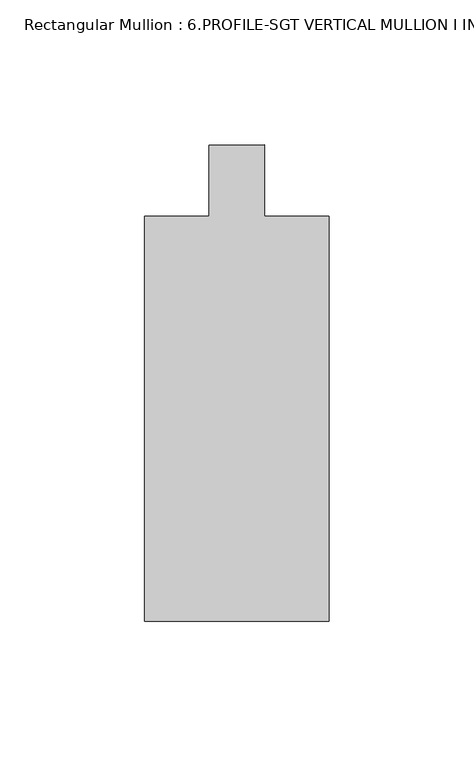
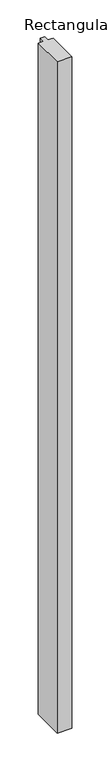
"""IFC4 building model written with IfcOpenShell, lengths in millimetres: member geometry, Rectangular Mullion : 6.PROFILE-SGT VERTICAL MULLION I INCH INFILL DETAIL 6."""

from ifc_helpers import new_model, si_unit, frame, origin, place, context, project, spatial, polyline, outline, extrude, source, transform, mapped, element, save


def rectangular_mullion_6_profile_sgt_vertical_mullion_i_inch_8912e2cf(model_context):
    return source(origin(), model_context, "Body", "SweptSolid", [
        extrude(outline(polyline([(-63.5, -69.85), (-63.5, 69.849995), (-41.2751132, 69.849995), (-41.2751132, 94.4126989), (-22.2248868, 94.5000084), (-22.2248868, 69.849995), (0.0, 69.849995), (0.0, -69.85), (-63.5, -69.85)])), frame((0.0, 0.0, -3048.0), z_axis=(0.0, 0.0, 1.0), x_axis=(1.0, 0.0, 0.0)), (0.0, 0.0, 1.0), 3048.0),
    ])


if __name__ == "__main__":
    model = new_model("IFC4")
    model_context = context("Model", 3, world=origin())
    ifc_project = project(units=[si_unit("LENGTHUNIT", "METRE", prefix="MILLI")], contexts=[model_context])
    site = spatial("IfcSite", under=ifc_project)
    building = spatial("IfcBuilding", under=site)
    placement = place(None, origin())
    rectangular_mullion_6_profile_sgt_vertical_mullion_i_inch_shape = rectangular_mullion_6_profile_sgt_vertical_mullion_i_inch_8912e2cf(model_context)
    element("IfcMember", 1, ObjectType="Rectangular Mullion : 6.PROFILE-SGT VERTICAL MULLION I INCH INFILL DETAIL 6", at=placement, inside=building, context=model_context, shape_type="MappedRepresentation", body=[
        mapped(rectangular_mullion_6_profile_sgt_vertical_mullion_i_inch_shape, transform((0.0, 0.0, 0.0), x_axis=(1.0, 0.0, 0.0), y_axis=(0.0, 1.0, 0.0), z_axis=(0.0, 0.0, 1.0))),
    ])
    save(model, "model.ifc")
